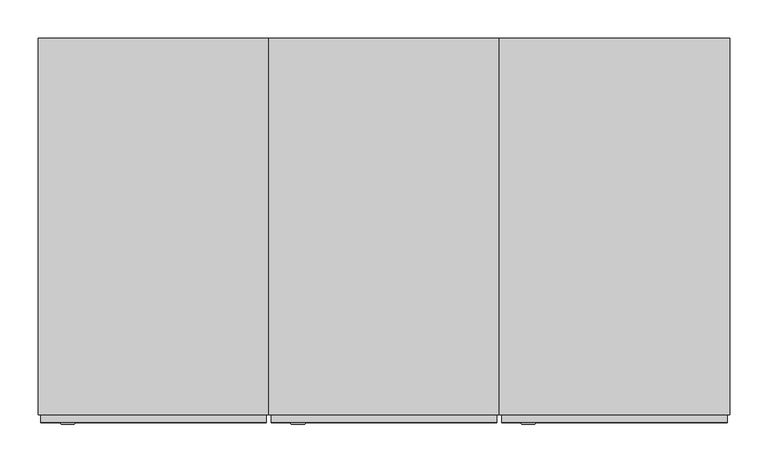
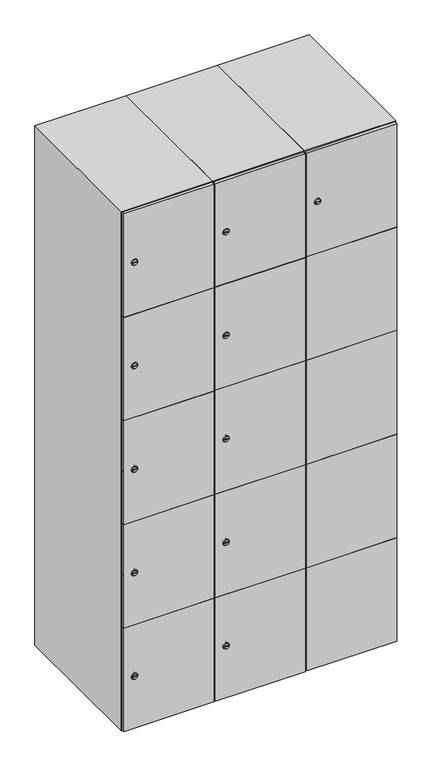
"""IFC4 building model written with IfcOpenShell, lengths in millimetres: furniture geometry."""

from ifc_helpers import new_model, si_unit, point, frame, frame_2d, origin, place, context, project, spatial, polyline, circle_curve, trimmed, segment, composite_curve, outline, extrude, faceted_brep, source, transform, mapped, element, save
from ifc_brep_helpers import plane_surface, revolved_surface, advanced_brep


def furniture_7ff7e186(model_context):
    return source(origin(), model_context, "Body", "SolidModel", [
        advanced_brep(
        [(446.5, -257.2, 1652.6), (429.5, -257.2, 1652.6), (433.0, -257.2, 1651.35), (433.0, -257.2, 1653.85), (443.0, -257.2, 1653.85), (443.0, -257.2, 1651.35), (448.5, -255.0, 1652.6), (427.5, -255.0, 1652.6), (433.0, -255.0, 1653.85), (433.0, -255.0, 1651.35), (443.0, -255.0, 1651.35), (443.0, -255.0, 1653.85)],
        [
            (0, 1, circle_curve(frame((438.0, -257.2, 1652.6), z_axis=(0.0, -1.0, 0.0), x_axis=(1.0, 0.0, 0.0)), 8.5)),
            (1, 0, circle_curve(frame((438.0, -257.2, 1652.6), z_axis=(0.0, -1.0, 0.0), x_axis=(-1.0, 0.0, 0.0)), 8.5)),
            (2, 3),
            (3, 4),
            (4, 5),
            (5, 2),
            (6, 7, circle_curve(frame((438.0, -255.0, 1652.6), z_axis=(0.0, 1.0, 0.0), x_axis=(-1.0, 0.0, 0.0)), 10.5)),
            (7, 6, circle_curve(frame((438.0, -255.0, 1652.6), z_axis=(0.0, 1.0, 0.0), x_axis=(1.0, 0.0, 0.0)), 10.5)),
            (8, 9),
            (9, 10),
            (10, 11),
            (11, 8),
            (0, 6),
            (7, 1),
            (8, 3),
            (2, 9),
            (11, 4),
            (10, 5),
        ],
        [
            plane_surface(frame((438.0, -257.2, 1652.6), z_axis=(0.0, -1.0, 0.0), x_axis=(0.0, 0.0, 1.0))),
            plane_surface(frame((438.0, -255.0, 1652.6), z_axis=(0.0, 1.0, 0.0), x_axis=(0.0, 0.0, 1.0))),
            revolved_surface(polyline([(446.5, -257.2, 1652.6), (448.5, -255.0, 1652.6)]), (438.0, -266.55, 1652.6), (0.0, 1.0, 0.0)),
            revolved_surface(polyline([(429.5, -257.2, 1652.6), (427.5, -255.0, 1652.6)]), (438.0, -266.55, 1652.6), (0.0, 1.0, 0.0)),
            plane_surface(frame((433.0, -255.0, 1651.35), z_axis=(1.0, 0.0, 0.0), x_axis=(0.0, -1.0, 0.0))),
            plane_surface(frame((433.0, -255.0, 1653.85), z_axis=(0.0, 0.0, -1.0), x_axis=(0.0, -1.0, 0.0))),
            plane_surface(frame((443.0, -255.0, 1653.85), z_axis=(-1.0, 0.0, 0.0), x_axis=(0.0, -1.0, 0.0))),
            plane_surface(frame((443.0, -255.0, 1651.35), z_axis=(0.0, 0.0, 1.0), x_axis=(0.0, -1.0, 0.0))),
        ],
        [
            (0, [[1, 2], [3, 4, 5, 6]]),
            (1, [[7, 8], [9, 10, 11, 12]]),
            (2, [[-1, 13, -8, 14]]),
            (3, [[-2, -14, -7, -13]]),
            (4, [[15, -3, 16, -9]]),
            (5, [[-15, -12, 17, -4]]),
            (6, [[-17, -11, 18, -5]]),
            (7, [[-16, -6, -18, -10]]),
        ],
    ),
        extrude(outline(polyline([(697.0, -245.0), (697.0, -255.0), (403.0, -255.0), (403.0, -245.0), (697.0, -245.0)])), frame((0.0, 0.0, 755.1), z_axis=(0.0, 0.0, 1.0), x_axis=(1.0, 0.0, 0.0)), (0.0, 0.0, 1.0), 359.8),
        extrude(outline(polyline([(697.0, -245.0), (697.0, -255.0), (403.0, -255.0), (403.0, -245.0), (697.0, -245.0)])), frame((0.0, 0.0, 396.3), z_axis=(0.0, 0.0, 1.0), x_axis=(1.0, 0.0, 0.0)), (0.0, 0.0, 1.0), 359.8),
        extrude(outline(polyline([(697.0, -245.0), (697.0, -255.0), (403.0, -255.0), (403.0, -245.0), (697.0, -245.0)])), frame((0.0, 0.0, 1113.9), z_axis=(0.0, 0.0, 1.0), x_axis=(1.0, 0.0, 0.0)), (0.0, 0.0, 1.0), 358.8),
        extrude(outline(polyline([(403.0, -255.0), (403.0, -245.0), (697.0, -245.0), (697.0, -255.0), (403.0, -255.0)])), frame((0.0, 0.0, 1473.7), z_axis=(0.0, 0.0, 1.0), x_axis=(1.0, 0.0, 0.0)), (0.0, 0.0, 1.0), 358.3),
        extrude(outline(polyline([(697.0, -245.0), (697.0, -255.0), (403.0, -255.0), (403.0, -245.0), (697.0, -245.0)])), frame((0.0, 0.0, 38.0), z_axis=(0.0, 0.0, 1.0), x_axis=(1.0, 0.0, 0.0)), (0.0, 0.0, 1.0), 359.3),
        extrude(outline(polyline([(679.6, 242.0), (679.6, -235.0), (420.4, -235.0), (420.4, 242.0), (679.6, 242.0)])), frame((0.0, 0.0, 1446.68), z_axis=(0.0, 0.0, 1.0), x_axis=(1.0, 0.0, 0.0)), (0.0, 0.0, 1.0), 20.4),
        extrude(outline(polyline([(679.6, 242.0), (679.6, -235.0), (420.4, -235.0), (420.4, 242.0), (679.6, 242.0)])), frame((0.0, 0.0, 1098.76), z_axis=(0.0, 0.0, 1.0), x_axis=(1.0, 0.0, 0.0)), (0.0, 0.0, 1.0), 20.4),
        extrude(outline(polyline([(679.6, 242.0), (679.6, -235.0), (420.4, -235.0), (420.4, 242.0), (679.6, 242.0)])), frame((0.0, 0.0, 750.84), z_axis=(0.0, 0.0, 1.0), x_axis=(1.0, 0.0, 0.0)), (0.0, 0.0, 1.0), 20.4),
        extrude(outline(polyline([(420.4, 242.0), (679.6, 242.0), (679.6, -235.0), (420.4, -235.0), (420.4, 242.0)])), frame((0.0, 0.0, 402.92), z_axis=(0.0, 0.0, 1.0), x_axis=(1.0, 0.0, 0.0)), (0.0, 0.0, 1.0), 20.4),
        faceted_brep([(700.0, -245.0, 35.0), (700.0, -245.0, 1835.0), (400.0, -245.0, 1835.0), (400.0, -245.0, 35.0), (679.6, -245.0, 1804.8), (679.6, -245.0, 65.2), (420.4, -245.0, 65.2), (420.4, -245.0, 1804.8), (700.0, 245.0, 35.0), (400.0, 245.0, 35.0), (700.0, 245.0, 1835.0), (400.0, 245.0, 1835.0), (679.6, 242.0, 1804.8), (679.6, 242.0, 65.2), (400.0, 245.0, 1804.8), (420.4, 242.0, 1804.8), (420.4, 242.0, 65.2)], [[[0, 1, 2, 3], [4, 5, 6, 7]], [[8, 0, 3, 9]], [[1, 0, 8, 10]], [[1, 10, 11, 2]], [[4, 12, 13, 5]], [[9, 3, 2, 11, 14]], [[10, 8, 9, 14, 11]], [[12, 15, 16, 13]], [[15, 7, 6, 16]], [[4, 7, 15, 12]], [[6, 5, 13, 16]]]),
        extrude(outline(composite_curve([segment(trimmed(circle_curve(frame_2d((217.4, 111.2010534)), 7.0), [point((224.4, 111.2010534))], [point((210.4, 111.2010534))], False, "CARTESIAN"), True, "CONTINUOUS"), segment(polyline([(210.4, 111.2010534), (210.4, 139.2010534)]), True, "CONTINUOUS"), segment(trimmed(circle_curve(frame_2d((217.4, 139.2010534)), 7.0), [point((210.4, 139.2010534))], [point((224.4, 139.2010534))], False, "CARTESIAN"), True, "CONTINUOUS"), segment(polyline([(224.4, 139.2010534), (224.4, 111.2010534)]), True, "CONTINUOUS")], self_intersect=False)), frame((0.0, -245.0, 0.0), z_axis=(0.0, 1.0, 0.0), x_axis=(0.0, 0.0, 1.0)), (0.0, 0.0, 1.0), 2.0),
        advanced_brep(
        [(146.5, -257.2, 217.4), (129.5, -257.2, 217.4), (133.0, -257.2, 216.15), (133.0, -257.2, 218.65), (143.0, -257.2, 218.65), (143.0, -257.2, 216.15), (148.5, -255.0, 217.4), (127.5, -255.0, 217.4), (133.0, -255.0, 218.65), (133.0, -255.0, 216.15), (143.0, -255.0, 216.15), (143.0, -255.0, 218.65)],
        [
            (0, 1, circle_curve(frame((138.0, -257.2, 217.4), z_axis=(0.0, -1.0, 0.0), x_axis=(1.0, 0.0, 0.0)), 8.5)),
            (1, 0, circle_curve(frame((138.0, -257.2, 217.4), z_axis=(0.0, -1.0, 0.0), x_axis=(-1.0, 0.0, 0.0)), 8.5)),
            (2, 3),
            (3, 4),
            (4, 5),
            (5, 2),
            (6, 7, circle_curve(frame((138.0, -255.0, 217.4), z_axis=(0.0, 1.0, 0.0), x_axis=(-1.0, 0.0, 0.0)), 10.5)),
            (7, 6, circle_curve(frame((138.0, -255.0, 217.4), z_axis=(0.0, 1.0, 0.0), x_axis=(1.0, 0.0, 0.0)), 10.5)),
            (8, 9),
            (9, 10),
            (10, 11),
            (11, 8),
            (0, 6),
            (7, 1),
            (8, 3),
            (2, 9),
            (11, 4),
            (10, 5),
        ],
        [
            plane_surface(frame((138.0, -257.2, 217.4), z_axis=(0.0, -1.0, 0.0), x_axis=(0.0, 0.0, 1.0))),
            plane_surface(frame((138.0, -255.0, 217.4), z_axis=(0.0, 1.0, 0.0), x_axis=(0.0, 0.0, 1.0))),
            revolved_surface(polyline([(146.5, -257.2, 217.4), (148.5, -255.0, 217.4)]), (138.0, -266.55, 217.4), (0.0, 1.0, 0.0)),
            revolved_surface(polyline([(129.5, -257.2, 217.4), (127.5, -255.0, 217.4)]), (138.0, -266.55, 217.4), (0.0, 1.0, 0.0)),
            plane_surface(frame((133.0, -255.0, 216.15), z_axis=(1.0, 0.0, 0.0), x_axis=(0.0, -1.0, 0.0))),
            plane_surface(frame((133.0, -255.0, 218.65), z_axis=(0.0, 0.0, -1.0), x_axis=(0.0, -1.0, 0.0))),
            plane_surface(frame((143.0, -255.0, 218.65), z_axis=(-1.0, 0.0, 0.0), x_axis=(0.0, -1.0, 0.0))),
            plane_surface(frame((143.0, -255.0, 216.15), z_axis=(0.0, 0.0, 1.0), x_axis=(0.0, -1.0, 0.0))),
        ],
        [
            (0, [[1, 2], [3, 4, 5, 6]]),
            (1, [[7, 8], [9, 10, 11, 12]]),
            (2, [[-1, 13, -8, 14]]),
            (3, [[-2, -14, -7, -13]]),
            (4, [[15, -3, 16, -9]]),
            (5, [[-15, -12, 17, -4]]),
            (6, [[-17, -11, 18, -5]]),
            (7, [[-16, -6, -18, -10]]),
        ],
    ),
        extrude(outline(composite_curve([segment(trimmed(circle_curve(frame_2d((576.2, 111.2010534)), 7.0), [point((583.2, 111.2010534))], [point((569.2, 111.2010534))], False, "CARTESIAN"), True, "CONTINUOUS"), segment(polyline([(569.2, 111.2010534), (569.2, 139.2010534)]), True, "CONTINUOUS"), segment(trimmed(circle_curve(frame_2d((576.2, 139.2010534)), 7.0), [point((569.2, 139.2010534))], [point((583.2, 139.2010534))], False, "CARTESIAN"), True, "CONTINUOUS"), segment(polyline([(583.2, 139.2010534), (583.2, 111.2010534)]), True, "CONTINUOUS")], self_intersect=False)), frame((0.0, -245.0, 0.0), z_axis=(0.0, 1.0, 0.0), x_axis=(0.0, 0.0, 1.0)), (0.0, 0.0, 1.0), 2.0),
        advanced_brep(
        [(146.5, -257.2, 576.2), (129.5, -257.2, 576.2), (133.0, -257.2, 574.95), (133.0, -257.2, 577.45), (143.0, -257.2, 577.45), (143.0, -257.2, 574.95), (148.5, -255.0, 576.2), (127.5, -255.0, 576.2), (133.0, -255.0, 577.45), (133.0, -255.0, 574.95), (143.0, -255.0, 574.95), (143.0, -255.0, 577.45)],
        [
            (0, 1, circle_curve(frame((138.0, -257.2, 576.2), z_axis=(0.0, -1.0, 0.0), x_axis=(1.0, 0.0, 0.0)), 8.5)),
            (1, 0, circle_curve(frame((138.0, -257.2, 576.2), z_axis=(0.0, -1.0, 0.0), x_axis=(-1.0, 0.0, 0.0)), 8.5)),
            (2, 3),
            (3, 4),
            (4, 5),
            (5, 2),
            (6, 7, circle_curve(frame((138.0, -255.0, 576.2), z_axis=(0.0, 1.0, 0.0), x_axis=(-1.0, 0.0, 0.0)), 10.5)),
            (7, 6, circle_curve(frame((138.0, -255.0, 576.2), z_axis=(0.0, 1.0, 0.0), x_axis=(1.0, 0.0, 0.0)), 10.5)),
            (8, 9),
            (9, 10),
            (10, 11),
            (11, 8),
            (0, 6),
            (7, 1),
            (8, 3),
            (2, 9),
            (11, 4),
            (10, 5),
        ],
        [
            plane_surface(frame((138.0, -257.2, 576.2), z_axis=(0.0, -1.0, 0.0), x_axis=(0.0, 0.0, 1.0))),
            plane_surface(frame((138.0, -255.0, 576.2), z_axis=(0.0, 1.0, 0.0), x_axis=(0.0, 0.0, 1.0))),
            revolved_surface(polyline([(146.5, -257.2, 576.2), (148.5, -255.0, 576.2)]), (138.0, -266.55, 576.2), (0.0, 1.0, 0.0)),
            revolved_surface(polyline([(129.5, -257.2, 576.2), (127.5, -255.0, 576.2)]), (138.0, -266.55, 576.2), (0.0, 1.0, 0.0)),
            plane_surface(frame((133.0, -255.0, 574.95), z_axis=(1.0, 0.0, 0.0), x_axis=(0.0, -1.0, 0.0))),
            plane_surface(frame((133.0, -255.0, 577.45), z_axis=(0.0, 0.0, -1.0), x_axis=(0.0, -1.0, 0.0))),
            plane_surface(frame((143.0, -255.0, 577.45), z_axis=(-1.0, 0.0, 0.0), x_axis=(0.0, -1.0, 0.0))),
            plane_surface(frame((143.0, -255.0, 574.95), z_axis=(0.0, 0.0, 1.0), x_axis=(0.0, -1.0, 0.0))),
        ],
        [
            (0, [[1, 2], [3, 4, 5, 6]]),
            (1, [[7, 8], [9, 10, 11, 12]]),
            (2, [[-1, 13, -8, 14]]),
            (3, [[-2, -14, -7, -13]]),
            (4, [[15, -3, 16, -9]]),
            (5, [[-15, -12, 17, -4]]),
            (6, [[-17, -11, 18, -5]]),
            (7, [[-16, -6, -18, -10]]),
        ],
    ),
        extrude(outline(composite_curve([segment(trimmed(circle_curve(frame_2d((935.0, 111.2010534)), 7.0), [point((942.0, 111.2010534))], [point((928.0, 111.2010534))], False, "CARTESIAN"), True, "CONTINUOUS"), segment(polyline([(928.0, 111.2010534), (928.0, 139.2010534)]), True, "CONTINUOUS"), segment(trimmed(circle_curve(frame_2d((935.0, 139.2010534)), 7.0), [point((928.0, 139.2010534))], [point((942.0, 139.2010534))], False, "CARTESIAN"), True, "CONTINUOUS"), segment(polyline([(942.0, 139.2010534), (942.0, 111.2010534)]), True, "CONTINUOUS")], self_intersect=False)), frame((0.0, -245.0, 0.0), z_axis=(0.0, 1.0, 0.0), x_axis=(0.0, 0.0, 1.0)), (0.0, 0.0, 1.0), 2.0),
        advanced_brep(
        [(146.5, -257.2, 935.0), (129.5, -257.2, 935.0), (133.0, -257.2, 933.75), (133.0, -257.2, 936.25), (143.0, -257.2, 936.25), (143.0, -257.2, 933.75), (148.5, -255.0, 935.0), (127.5, -255.0, 935.0), (133.0, -255.0, 936.25), (133.0, -255.0, 933.75), (143.0, -255.0, 933.75), (143.0, -255.0, 936.25)],
        [
            (0, 1, circle_curve(frame((138.0, -257.2, 935.0), z_axis=(0.0, -1.0, 0.0), x_axis=(1.0, 0.0, 0.0)), 8.5)),
            (1, 0, circle_curve(frame((138.0, -257.2, 935.0), z_axis=(0.0, -1.0, 0.0), x_axis=(-1.0, 0.0, 0.0)), 8.5)),
            (2, 3),
            (3, 4),
            (4, 5),
            (5, 2),
            (6, 7, circle_curve(frame((138.0, -255.0, 935.0), z_axis=(0.0, 1.0, 0.0), x_axis=(-1.0, 0.0, 0.0)), 10.5)),
            (7, 6, circle_curve(frame((138.0, -255.0, 935.0), z_axis=(0.0, 1.0, 0.0), x_axis=(1.0, 0.0, 0.0)), 10.5)),
            (8, 9),
            (9, 10),
            (10, 11),
            (11, 8),
            (0, 6),
            (7, 1),
            (8, 3),
            (2, 9),
            (11, 4),
            (10, 5),
        ],
        [
            plane_surface(frame((138.0, -257.2, 935.0), z_axis=(0.0, -1.0, 0.0), x_axis=(0.0, 0.0, 1.0))),
            plane_surface(frame((138.0, -255.0, 935.0), z_axis=(0.0, 1.0, 0.0), x_axis=(0.0, 0.0, 1.0))),
            revolved_surface(polyline([(146.5, -257.2, 935.0), (148.5, -255.0, 935.0)]), (138.0, -266.55, 935.0), (0.0, 1.0, 0.0)),
            revolved_surface(polyline([(129.5, -257.2, 935.0), (127.5, -255.0, 935.0)]), (138.0, -266.55, 935.0), (0.0, 1.0, 0.0)),
            plane_surface(frame((133.0, -255.0, 933.75), z_axis=(1.0, 0.0, 0.0), x_axis=(0.0, -1.0, 0.0))),
            plane_surface(frame((133.0, -255.0, 936.25), z_axis=(0.0, 0.0, -1.0), x_axis=(0.0, -1.0, 0.0))),
            plane_surface(frame((143.0, -255.0, 936.25), z_axis=(-1.0, 0.0, 0.0), x_axis=(0.0, -1.0, 0.0))),
            plane_surface(frame((143.0, -255.0, 933.75), z_axis=(0.0, 0.0, 1.0), x_axis=(0.0, -1.0, 0.0))),
        ],
        [
            (0, [[1, 2], [3, 4, 5, 6]]),
            (1, [[7, 8], [9, 10, 11, 12]]),
            (2, [[-1, 13, -8, 14]]),
            (3, [[-2, -14, -7, -13]]),
            (4, [[15, -3, 16, -9]]),
            (5, [[-15, -12, 17, -4]]),
            (6, [[-17, -11, 18, -5]]),
            (7, [[-16, -6, -18, -10]]),
        ],
    ),
        extrude(outline(composite_curve([segment(trimmed(circle_curve(frame_2d((1293.8, 111.2010534)), 7.0), [point((1300.8, 111.2010534))], [point((1286.8, 111.2010534))], False, "CARTESIAN"), True, "CONTINUOUS"), segment(polyline([(1286.8, 111.2010534), (1286.8, 139.2010534)]), True, "CONTINUOUS"), segment(trimmed(circle_curve(frame_2d((1293.8, 139.2010534)), 7.0), [point((1286.8, 139.2010534))], [point((1300.8, 139.2010534))], False, "CARTESIAN"), True, "CONTINUOUS"), segment(polyline([(1300.8, 139.2010534), (1300.8, 111.2010534)]), True, "CONTINUOUS")], self_intersect=False)), frame((0.0, -245.0, 0.0), z_axis=(0.0, 1.0, 0.0), x_axis=(0.0, 0.0, 1.0)), (0.0, 0.0, 1.0), 2.0),
        advanced_brep(
        [(146.5, -257.2, 1293.8), (129.5, -257.2, 1293.8), (133.0, -257.2, 1292.55), (133.0, -257.2, 1295.05), (143.0, -257.2, 1295.05), (143.0, -257.2, 1292.55), (148.5, -255.0, 1293.8), (127.5, -255.0, 1293.8), (133.0, -255.0, 1295.05), (133.0, -255.0, 1292.55), (143.0, -255.0, 1292.55), (143.0, -255.0, 1295.05)],
        [
            (0, 1, circle_curve(frame((138.0, -257.2, 1293.8), z_axis=(0.0, -1.0, 0.0), x_axis=(1.0, 0.0, 0.0)), 8.5)),
            (1, 0, circle_curve(frame((138.0, -257.2, 1293.8), z_axis=(0.0, -1.0, 0.0), x_axis=(-1.0, 0.0, 0.0)), 8.5)),
            (2, 3),
            (3, 4),
            (4, 5),
            (5, 2),
            (6, 7, circle_curve(frame((138.0, -255.0, 1293.8), z_axis=(0.0, 1.0, 0.0), x_axis=(-1.0, 0.0, 0.0)), 10.5)),
            (7, 6, circle_curve(frame((138.0, -255.0, 1293.8), z_axis=(0.0, 1.0, 0.0), x_axis=(1.0, 0.0, 0.0)), 10.5)),
            (8, 9),
            (9, 10),
            (10, 11),
            (11, 8),
            (0, 6),
            (7, 1),
            (8, 3),
            (2, 9),
            (11, 4),
            (10, 5),
        ],
        [
            plane_surface(frame((138.0, -257.2, 1293.8), z_axis=(0.0, -1.0, 0.0), x_axis=(0.0, 0.0, 1.0))),
            plane_surface(frame((138.0, -255.0, 1293.8), z_axis=(0.0, 1.0, 0.0), x_axis=(0.0, 0.0, 1.0))),
            revolved_surface(polyline([(146.5, -257.2, 1293.8), (148.5, -255.0, 1293.8)]), (138.0, -266.55, 1293.8), (0.0, 1.0, 0.0)),
            revolved_surface(polyline([(129.5, -257.2, 1293.8), (127.5, -255.0, 1293.8)]), (138.0, -266.55, 1293.8), (0.0, 1.0, 0.0)),
            plane_surface(frame((133.0, -255.0, 1292.55), z_axis=(1.0, 0.0, 0.0), x_axis=(0.0, -1.0, 0.0))),
            plane_surface(frame((133.0, -255.0, 1295.05), z_axis=(0.0, 0.0, -1.0), x_axis=(0.0, -1.0, 0.0))),
            plane_surface(frame((143.0, -255.0, 1295.05), z_axis=(-1.0, 0.0, 0.0), x_axis=(0.0, -1.0, 0.0))),
            plane_surface(frame((143.0, -255.0, 1292.55), z_axis=(0.0, 0.0, 1.0), x_axis=(0.0, -1.0, 0.0))),
        ],
        [
            (0, [[1, 2], [3, 4, 5, 6]]),
            (1, [[7, 8], [9, 10, 11, 12]]),
            (2, [[-1, 13, -8, 14]]),
            (3, [[-2, -14, -7, -13]]),
            (4, [[15, -3, 16, -9]]),
            (5, [[-15, -12, 17, -4]]),
            (6, [[-17, -11, 18, -5]]),
            (7, [[-16, -6, -18, -10]]),
        ],
    ),
        extrude(outline(composite_curve([segment(trimmed(circle_curve(frame_2d((1652.6, 111.2010534)), 7.0), [point((1659.6, 111.2010534))], [point((1645.6, 111.2010534))], False, "CARTESIAN"), True, "CONTINUOUS"), segment(polyline([(1645.6, 111.2010534), (1645.6, 139.2010534)]), True, "CONTINUOUS"), segment(trimmed(circle_curve(frame_2d((1652.6, 139.2010534)), 7.0), [point((1645.6, 139.2010534))], [point((1659.6, 139.2010534))], False, "CARTESIAN"), True, "CONTINUOUS"), segment(polyline([(1659.6, 139.2010534), (1659.6, 111.2010534)]), True, "CONTINUOUS")], self_intersect=False)), frame((0.0, -245.0, 0.0), z_axis=(0.0, 1.0, 0.0), x_axis=(0.0, 0.0, 1.0)), (0.0, 0.0, 1.0), 2.0),
        advanced_brep(
        [(146.5, -257.2, 1652.6), (129.5, -257.2, 1652.6), (133.0, -257.2, 1651.35), (133.0, -257.2, 1653.85), (143.0, -257.2, 1653.85), (143.0, -257.2, 1651.35), (148.5, -255.0, 1652.6), (127.5, -255.0, 1652.6), (133.0, -255.0, 1653.85), (133.0, -255.0, 1651.35), (143.0, -255.0, 1651.35), (143.0, -255.0, 1653.85)],
        [
            (0, 1, circle_curve(frame((138.0, -257.2, 1652.6), z_axis=(0.0, -1.0, 0.0), x_axis=(1.0, 0.0, 0.0)), 8.5)),
            (1, 0, circle_curve(frame((138.0, -257.2, 1652.6), z_axis=(0.0, -1.0, 0.0), x_axis=(-1.0, 0.0, 0.0)), 8.5)),
            (2, 3),
            (3, 4),
            (4, 5),
            (5, 2),
            (6, 7, circle_curve(frame((138.0, -255.0, 1652.6), z_axis=(0.0, 1.0, 0.0), x_axis=(-1.0, 0.0, 0.0)), 10.5)),
            (7, 6, circle_curve(frame((138.0, -255.0, 1652.6), z_axis=(0.0, 1.0, 0.0), x_axis=(1.0, 0.0, 0.0)), 10.5)),
            (8, 9),
            (9, 10),
            (10, 11),
            (11, 8),
            (0, 6),
            (7, 1),
            (8, 3),
            (2, 9),
            (11, 4),
            (10, 5),
        ],
        [
            plane_surface(frame((138.0, -257.2, 1652.6), z_axis=(0.0, -1.0, 0.0), x_axis=(0.0, 0.0, 1.0))),
            plane_surface(frame((138.0, -255.0, 1652.6), z_axis=(0.0, 1.0, 0.0), x_axis=(0.0, 0.0, 1.0))),
            revolved_surface(polyline([(146.5, -257.2, 1652.6), (148.5, -255.0, 1652.6)]), (138.0, -266.55, 1652.6), (0.0, 1.0, 0.0)),
            revolved_surface(polyline([(129.5, -257.2, 1652.6), (127.5, -255.0, 1652.6)]), (138.0, -266.55, 1652.6), (0.0, 1.0, 0.0)),
            plane_surface(frame((133.0, -255.0, 1651.35), z_axis=(1.0, 0.0, 0.0), x_axis=(0.0, -1.0, 0.0))),
            plane_surface(frame((133.0, -255.0, 1653.85), z_axis=(0.0, 0.0, -1.0), x_axis=(0.0, -1.0, 0.0))),
            plane_surface(frame((143.0, -255.0, 1653.85), z_axis=(-1.0, 0.0, 0.0), x_axis=(0.0, -1.0, 0.0))),
            plane_surface(frame((143.0, -255.0, 1651.35), z_axis=(0.0, 0.0, 1.0), x_axis=(0.0, -1.0, 0.0))),
        ],
        [
            (0, [[1, 2], [3, 4, 5, 6]]),
            (1, [[7, 8], [9, 10, 11, 12]]),
            (2, [[-1, 13, -8, 14]]),
            (3, [[-2, -14, -7, -13]]),
            (4, [[15, -3, 16, -9]]),
            (5, [[-15, -12, 17, -4]]),
            (6, [[-17, -11, 18, -5]]),
            (7, [[-16, -6, -18, -10]]),
        ],
    ),
        extrude(outline(polyline([(397.0, -245.0), (397.0, -255.0), (103.0, -255.0), (103.0, -245.0), (397.0, -245.0)])), frame((0.0, 0.0, 755.1), z_axis=(0.0, 0.0, 1.0), x_axis=(1.0, 0.0, 0.0)), (0.0, 0.0, 1.0), 359.8),
        extrude(outline(polyline([(397.0, -245.0), (397.0, -255.0), (103.0, -255.0), (103.0, -245.0), (397.0, -245.0)])), frame((0.0, 0.0, 396.3), z_axis=(0.0, 0.0, 1.0), x_axis=(1.0, 0.0, 0.0)), (0.0, 0.0, 1.0), 359.8),
        extrude(outline(polyline([(397.0, -245.0), (397.0, -255.0), (103.0, -255.0), (103.0, -245.0), (397.0, -245.0)])), frame((0.0, 0.0, 1113.9), z_axis=(0.0, 0.0, 1.0), x_axis=(1.0, 0.0, 0.0)), (0.0, 0.0, 1.0), 358.8),
        extrude(outline(polyline([(103.0, -255.0), (103.0, -245.0), (397.0, -245.0), (397.0, -255.0), (103.0, -255.0)])), frame((0.0, 0.0, 1473.7), z_axis=(0.0, 0.0, 1.0), x_axis=(1.0, 0.0, 0.0)), (0.0, 0.0, 1.0), 358.3),
        extrude(outline(polyline([(397.0, -245.0), (397.0, -255.0), (103.0, -255.0), (103.0, -245.0), (397.0, -245.0)])), frame((0.0, 0.0, 38.0), z_axis=(0.0, 0.0, 1.0), x_axis=(1.0, 0.0, 0.0)), (0.0, 0.0, 1.0), 359.3),
        extrude(outline(polyline([(379.6, 242.0), (379.6, -235.0), (120.4, -235.0), (120.4, 242.0), (379.6, 242.0)])), frame((0.0, 0.0, 1446.68), z_axis=(0.0, 0.0, 1.0), x_axis=(1.0, 0.0, 0.0)), (0.0, 0.0, 1.0), 20.4),
        extrude(outline(polyline([(379.6, 242.0), (379.6, -235.0), (120.4, -235.0), (120.4, 242.0), (379.6, 242.0)])), frame((0.0, 0.0, 1098.76), z_axis=(0.0, 0.0, 1.0), x_axis=(1.0, 0.0, 0.0)), (0.0, 0.0, 1.0), 20.4),
        extrude(outline(polyline([(379.6, 242.0), (379.6, -235.0), (120.4, -235.0), (120.4, 242.0), (379.6, 242.0)])), frame((0.0, 0.0, 750.84), z_axis=(0.0, 0.0, 1.0), x_axis=(1.0, 0.0, 0.0)), (0.0, 0.0, 1.0), 20.4),
        extrude(outline(polyline([(120.4, 242.0), (379.6, 242.0), (379.6, -235.0), (120.4, -235.0), (120.4, 242.0)])), frame((0.0, 0.0, 402.92), z_axis=(0.0, 0.0, 1.0), x_axis=(1.0, 0.0, 0.0)), (0.0, 0.0, 1.0), 20.4),
        faceted_brep([(400.0, -245.0, 35.0), (400.0, -245.0, 1835.0), (100.0, -245.0, 1835.0), (100.0, -245.0, 35.0), (379.6, -245.0, 1804.8), (379.6, -245.0, 65.2), (120.4, -245.0, 65.2), (120.4, -245.0, 1804.8), (400.0, 245.0, 35.0), (100.0, 245.0, 35.0), (400.0, 245.0, 1835.0), (100.0, 245.0, 1835.0), (379.6, 242.0, 1804.8), (379.6, 242.0, 65.2), (100.0, 245.0, 1804.8), (120.4, 242.0, 1804.8), (120.4, 242.0, 65.2)], [[[0, 1, 2, 3], [4, 5, 6, 7]], [[8, 0, 3, 9]], [[1, 0, 8, 10]], [[1, 10, 11, 2]], [[4, 12, 13, 5]], [[9, 3, 2, 11, 14]], [[10, 8, 9, 14, 11]], [[12, 15, 16, 13]], [[15, 7, 6, 16]], [[4, 7, 15, 12]], [[6, 5, 13, 16]]]),
        extrude(outline(composite_curve([segment(trimmed(circle_curve(frame_2d((217.4, -188.7989466)), 7.0), [point((224.4, -188.7989466))], [point((210.4, -188.7989466))], False, "CARTESIAN"), True, "CONTINUOUS"), segment(polyline([(210.4, -188.7989466), (210.4, -160.7989466)]), True, "CONTINUOUS"), segment(trimmed(circle_curve(frame_2d((217.4, -160.7989466)), 7.0), [point((210.4, -160.7989466))], [point((224.4, -160.7989466))], False, "CARTESIAN"), True, "CONTINUOUS"), segment(polyline([(224.4, -160.7989466), (224.4, -188.7989466)]), True, "CONTINUOUS")], self_intersect=False)), frame((0.0, -245.0, 0.0), z_axis=(0.0, 1.0, 0.0), x_axis=(0.0, 0.0, 1.0)), (0.0, 0.0, 1.0), 2.0),
        advanced_brep(
        [(-153.5, -257.2, 217.4), (-170.5, -257.2, 217.4), (-167.0, -257.2, 216.15), (-167.0, -257.2, 218.65), (-157.0, -257.2, 218.65), (-157.0, -257.2, 216.15), (-151.5, -255.0, 217.4), (-172.5, -255.0, 217.4), (-167.0, -255.0, 218.65), (-167.0, -255.0, 216.15), (-157.0, -255.0, 216.15), (-157.0, -255.0, 218.65)],
        [
            (0, 1, circle_curve(frame((-162.0, -257.2, 217.4), z_axis=(0.0, -1.0, 0.0), x_axis=(1.0, 0.0, 0.0)), 8.5)),
            (1, 0, circle_curve(frame((-162.0, -257.2, 217.4), z_axis=(0.0, -1.0, 0.0), x_axis=(-1.0, 0.0, 0.0)), 8.5)),
            (2, 3),
            (3, 4),
            (4, 5),
            (5, 2),
            (6, 7, circle_curve(frame((-162.0, -255.0, 217.4), z_axis=(0.0, 1.0, 0.0), x_axis=(-1.0, 0.0, 0.0)), 10.5)),
            (7, 6, circle_curve(frame((-162.0, -255.0, 217.4), z_axis=(0.0, 1.0, 0.0), x_axis=(1.0, 0.0, 0.0)), 10.5)),
            (8, 9),
            (9, 10),
            (10, 11),
            (11, 8),
            (0, 6),
            (7, 1),
            (8, 3),
            (2, 9),
            (11, 4),
            (10, 5),
        ],
        [
            plane_surface(frame((-162.0, -257.2, 217.4), z_axis=(0.0, -1.0, 0.0), x_axis=(0.0, 0.0, 1.0))),
            plane_surface(frame((-162.0, -255.0, 217.4), z_axis=(0.0, 1.0, 0.0), x_axis=(0.0, 0.0, 1.0))),
            revolved_surface(polyline([(-153.5, -257.2, 217.4), (-151.5, -255.0, 217.4)]), (-162.0, -266.55, 217.4), (0.0, 1.0, 0.0)),
            revolved_surface(polyline([(-170.5, -257.2, 217.4), (-172.5, -255.0, 217.4)]), (-162.0, -266.55, 217.4), (0.0, 1.0, 0.0)),
            plane_surface(frame((-167.0, -255.0, 216.15), z_axis=(1.0, 0.0, 0.0), x_axis=(0.0, -1.0, 0.0))),
            plane_surface(frame((-167.0, -255.0, 218.65), z_axis=(0.0, 0.0, -1.0), x_axis=(0.0, -1.0, 0.0))),
            plane_surface(frame((-157.0, -255.0, 218.65), z_axis=(-1.0, 0.0, 0.0), x_axis=(0.0, -1.0, 0.0))),
            plane_surface(frame((-157.0, -255.0, 216.15), z_axis=(0.0, 0.0, 1.0), x_axis=(0.0, -1.0, 0.0))),
        ],
        [
            (0, [[1, 2], [3, 4, 5, 6]]),
            (1, [[7, 8], [9, 10, 11, 12]]),
            (2, [[-1, 13, -8, 14]]),
            (3, [[-2, -14, -7, -13]]),
            (4, [[15, -3, 16, -9]]),
            (5, [[-15, -12, 17, -4]]),
            (6, [[-17, -11, 18, -5]]),
            (7, [[-16, -6, -18, -10]]),
        ],
    ),
        extrude(outline(composite_curve([segment(trimmed(circle_curve(frame_2d((576.2, -188.7989466)), 7.0), [point((583.2, -188.7989466))], [point((569.2, -188.7989466))], False, "CARTESIAN"), True, "CONTINUOUS"), segment(polyline([(569.2, -188.7989466), (569.2, -160.7989466)]), True, "CONTINUOUS"), segment(trimmed(circle_curve(frame_2d((576.2, -160.7989466)), 7.0), [point((569.2, -160.7989466))], [point((583.2, -160.7989466))], False, "CARTESIAN"), True, "CONTINUOUS"), segment(polyline([(583.2, -160.7989466), (583.2, -188.7989466)]), True, "CONTINUOUS")], self_intersect=False)), frame((0.0, -245.0, 0.0), z_axis=(0.0, 1.0, 0.0), x_axis=(0.0, 0.0, 1.0)), (0.0, 0.0, 1.0), 2.0),
        advanced_brep(
        [(-153.5, -257.2, 576.2), (-170.5, -257.2, 576.2), (-167.0, -257.2, 574.95), (-167.0, -257.2, 577.45), (-157.0, -257.2, 577.45), (-157.0, -257.2, 574.95), (-151.5, -255.0, 576.2), (-172.5, -255.0, 576.2), (-167.0, -255.0, 577.45), (-167.0, -255.0, 574.95), (-157.0, -255.0, 574.95), (-157.0, -255.0, 577.45)],
        [
            (0, 1, circle_curve(frame((-162.0, -257.2, 576.2), z_axis=(0.0, -1.0, 0.0), x_axis=(1.0, 0.0, 0.0)), 8.5)),
            (1, 0, circle_curve(frame((-162.0, -257.2, 576.2), z_axis=(0.0, -1.0, 0.0), x_axis=(-1.0, 0.0, 0.0)), 8.5)),
            (2, 3),
            (3, 4),
            (4, 5),
            (5, 2),
            (6, 7, circle_curve(frame((-162.0, -255.0, 576.2), z_axis=(0.0, 1.0, 0.0), x_axis=(-1.0, 0.0, 0.0)), 10.5)),
            (7, 6, circle_curve(frame((-162.0, -255.0, 576.2), z_axis=(0.0, 1.0, 0.0), x_axis=(1.0, 0.0, 0.0)), 10.5)),
            (8, 9),
            (9, 10),
            (10, 11),
            (11, 8),
            (0, 6),
            (7, 1),
            (8, 3),
            (2, 9),
            (11, 4),
            (10, 5),
        ],
        [
            plane_surface(frame((-162.0, -257.2, 576.2), z_axis=(0.0, -1.0, 0.0), x_axis=(0.0, 0.0, 1.0))),
            plane_surface(frame((-162.0, -255.0, 576.2), z_axis=(0.0, 1.0, 0.0), x_axis=(0.0, 0.0, 1.0))),
            revolved_surface(polyline([(-153.5, -257.2, 576.2), (-151.5, -255.0, 576.2)]), (-162.0, -266.55, 576.2), (0.0, 1.0, 0.0)),
            revolved_surface(polyline([(-170.5, -257.2, 576.2), (-172.5, -255.0, 576.2)]), (-162.0, -266.55, 576.2), (0.0, 1.0, 0.0)),
            plane_surface(frame((-167.0, -255.0, 574.95), z_axis=(1.0, 0.0, 0.0), x_axis=(0.0, -1.0, 0.0))),
            plane_surface(frame((-167.0, -255.0, 577.45), z_axis=(0.0, 0.0, -1.0), x_axis=(0.0, -1.0, 0.0))),
            plane_surface(frame((-157.0, -255.0, 577.45), z_axis=(-1.0, 0.0, 0.0), x_axis=(0.0, -1.0, 0.0))),
            plane_surface(frame((-157.0, -255.0, 574.95), z_axis=(0.0, 0.0, 1.0), x_axis=(0.0, -1.0, 0.0))),
        ],
        [
            (0, [[1, 2], [3, 4, 5, 6]]),
            (1, [[7, 8], [9, 10, 11, 12]]),
            (2, [[-1, 13, -8, 14]]),
            (3, [[-2, -14, -7, -13]]),
            (4, [[15, -3, 16, -9]]),
            (5, [[-15, -12, 17, -4]]),
            (6, [[-17, -11, 18, -5]]),
            (7, [[-16, -6, -18, -10]]),
        ],
    ),
        extrude(outline(composite_curve([segment(trimmed(circle_curve(frame_2d((935.0, -188.7989466)), 7.0), [point((942.0, -188.7989466))], [point((928.0, -188.7989466))], False, "CARTESIAN"), True, "CONTINUOUS"), segment(polyline([(928.0, -188.7989466), (928.0, -160.7989466)]), True, "CONTINUOUS"), segment(trimmed(circle_curve(frame_2d((935.0, -160.7989466)), 7.0), [point((928.0, -160.7989466))], [point((942.0, -160.7989466))], False, "CARTESIAN"), True, "CONTINUOUS"), segment(polyline([(942.0, -160.7989466), (942.0, -188.7989466)]), True, "CONTINUOUS")], self_intersect=False)), frame((0.0, -245.0, 0.0), z_axis=(0.0, 1.0, 0.0), x_axis=(0.0, 0.0, 1.0)), (0.0, 0.0, 1.0), 2.0),
        advanced_brep(
        [(-153.5, -257.2, 935.0), (-170.5, -257.2, 935.0), (-167.0, -257.2, 933.75), (-167.0, -257.2, 936.25), (-157.0, -257.2, 936.25), (-157.0, -257.2, 933.75), (-151.5, -255.0, 935.0), (-172.5, -255.0, 935.0), (-167.0, -255.0, 936.25), (-167.0, -255.0, 933.75), (-157.0, -255.0, 933.75), (-157.0, -255.0, 936.25)],
        [
            (0, 1, circle_curve(frame((-162.0, -257.2, 935.0), z_axis=(0.0, -1.0, 0.0), x_axis=(1.0, 0.0, 0.0)), 8.5)),
            (1, 0, circle_curve(frame((-162.0, -257.2, 935.0), z_axis=(0.0, -1.0, 0.0), x_axis=(-1.0, 0.0, 0.0)), 8.5)),
            (2, 3),
            (3, 4),
            (4, 5),
            (5, 2),
            (6, 7, circle_curve(frame((-162.0, -255.0, 935.0), z_axis=(0.0, 1.0, 0.0), x_axis=(-1.0, 0.0, 0.0)), 10.5)),
            (7, 6, circle_curve(frame((-162.0, -255.0, 935.0), z_axis=(0.0, 1.0, 0.0), x_axis=(1.0, 0.0, 0.0)), 10.5)),
            (8, 9),
            (9, 10),
            (10, 11),
            (11, 8),
            (0, 6),
            (7, 1),
            (8, 3),
            (2, 9),
            (11, 4),
            (10, 5),
        ],
        [
            plane_surface(frame((-162.0, -257.2, 935.0), z_axis=(0.0, -1.0, 0.0), x_axis=(0.0, 0.0, 1.0))),
            plane_surface(frame((-162.0, -255.0, 935.0), z_axis=(0.0, 1.0, 0.0), x_axis=(0.0, 0.0, 1.0))),
            revolved_surface(polyline([(-153.5, -257.2, 935.0), (-151.5, -255.0, 935.0)]), (-162.0, -266.55, 935.0), (0.0, 1.0, 0.0)),
            revolved_surface(polyline([(-170.5, -257.2, 935.0), (-172.5, -255.0, 935.0)]), (-162.0, -266.55, 935.0), (0.0, 1.0, 0.0)),
            plane_surface(frame((-167.0, -255.0, 933.75), z_axis=(1.0, 0.0, 0.0), x_axis=(0.0, -1.0, 0.0))),
            plane_surface(frame((-167.0, -255.0, 936.25), z_axis=(0.0, 0.0, -1.0), x_axis=(0.0, -1.0, 0.0))),
            plane_surface(frame((-157.0, -255.0, 936.25), z_axis=(-1.0, 0.0, 0.0), x_axis=(0.0, -1.0, 0.0))),
            plane_surface(frame((-157.0, -255.0, 933.75), z_axis=(0.0, 0.0, 1.0), x_axis=(0.0, -1.0, 0.0))),
        ],
        [
            (0, [[1, 2], [3, 4, 5, 6]]),
            (1, [[7, 8], [9, 10, 11, 12]]),
            (2, [[-1, 13, -8, 14]]),
            (3, [[-2, -14, -7, -13]]),
            (4, [[15, -3, 16, -9]]),
            (5, [[-15, -12, 17, -4]]),
            (6, [[-17, -11, 18, -5]]),
            (7, [[-16, -6, -18, -10]]),
        ],
    ),
        extrude(outline(composite_curve([segment(trimmed(circle_curve(frame_2d((1293.8, -188.7989466)), 7.0), [point((1300.8, -188.7989466))], [point((1286.8, -188.7989466))], False, "CARTESIAN"), True, "CONTINUOUS"), segment(polyline([(1286.8, -188.7989466), (1286.8, -160.7989466)]), True, "CONTINUOUS"), segment(trimmed(circle_curve(frame_2d((1293.8, -160.7989466)), 7.0), [point((1286.8, -160.7989466))], [point((1300.8, -160.7989466))], False, "CARTESIAN"), True, "CONTINUOUS"), segment(polyline([(1300.8, -160.7989466), (1300.8, -188.7989466)]), True, "CONTINUOUS")], self_intersect=False)), frame((0.0, -245.0, 0.0), z_axis=(0.0, 1.0, 0.0), x_axis=(0.0, 0.0, 1.0)), (0.0, 0.0, 1.0), 2.0),
        advanced_brep(
        [(-153.5, -257.2, 1293.8), (-170.5, -257.2, 1293.8), (-167.0, -257.2, 1292.55), (-167.0, -257.2, 1295.05), (-157.0, -257.2, 1295.05), (-157.0, -257.2, 1292.55), (-151.5, -255.0, 1293.8), (-172.5, -255.0, 1293.8), (-167.0, -255.0, 1295.05), (-167.0, -255.0, 1292.55), (-157.0, -255.0, 1292.55), (-157.0, -255.0, 1295.05)],
        [
            (0, 1, circle_curve(frame((-162.0, -257.2, 1293.8), z_axis=(0.0, -1.0, 0.0), x_axis=(1.0, 0.0, 0.0)), 8.5)),
            (1, 0, circle_curve(frame((-162.0, -257.2, 1293.8), z_axis=(0.0, -1.0, 0.0), x_axis=(-1.0, 0.0, 0.0)), 8.5)),
            (2, 3),
            (3, 4),
            (4, 5),
            (5, 2),
            (6, 7, circle_curve(frame((-162.0, -255.0, 1293.8), z_axis=(0.0, 1.0, 0.0), x_axis=(-1.0, 0.0, 0.0)), 10.5)),
            (7, 6, circle_curve(frame((-162.0, -255.0, 1293.8), z_axis=(0.0, 1.0, 0.0), x_axis=(1.0, 0.0, 0.0)), 10.5)),
            (8, 9),
            (9, 10),
            (10, 11),
            (11, 8),
            (0, 6),
            (7, 1),
            (8, 3),
            (2, 9),
            (11, 4),
            (10, 5),
        ],
        [
            plane_surface(frame((-162.0, -257.2, 1293.8), z_axis=(0.0, -1.0, 0.0), x_axis=(0.0, 0.0, 1.0))),
            plane_surface(frame((-162.0, -255.0, 1293.8), z_axis=(0.0, 1.0, 0.0), x_axis=(0.0, 0.0, 1.0))),
            revolved_surface(polyline([(-153.5, -257.2, 1293.8), (-151.5, -255.0, 1293.8)]), (-162.0, -266.55, 1293.8), (0.0, 1.0, 0.0)),
            revolved_surface(polyline([(-170.5, -257.2, 1293.8), (-172.5, -255.0, 1293.8)]), (-162.0, -266.55, 1293.8), (0.0, 1.0, 0.0)),
            plane_surface(frame((-167.0, -255.0, 1292.55), z_axis=(1.0, 0.0, 0.0), x_axis=(0.0, -1.0, 0.0))),
            plane_surface(frame((-167.0, -255.0, 1295.05), z_axis=(0.0, 0.0, -1.0), x_axis=(0.0, -1.0, 0.0))),
            plane_surface(frame((-157.0, -255.0, 1295.05), z_axis=(-1.0, 0.0, 0.0), x_axis=(0.0, -1.0, 0.0))),
            plane_surface(frame((-157.0, -255.0, 1292.55), z_axis=(0.0, 0.0, 1.0), x_axis=(0.0, -1.0, 0.0))),
        ],
        [
            (0, [[1, 2], [3, 4, 5, 6]]),
            (1, [[7, 8], [9, 10, 11, 12]]),
            (2, [[-1, 13, -8, 14]]),
            (3, [[-2, -14, -7, -13]]),
            (4, [[15, -3, 16, -9]]),
            (5, [[-15, -12, 17, -4]]),
            (6, [[-17, -11, 18, -5]]),
            (7, [[-16, -6, -18, -10]]),
        ],
    ),
        extrude(outline(composite_curve([segment(trimmed(circle_curve(frame_2d((1652.6, -188.7989466)), 7.0), [point((1659.6, -188.7989466))], [point((1645.6, -188.7989466))], False, "CARTESIAN"), True, "CONTINUOUS"), segment(polyline([(1645.6, -188.7989466), (1645.6, -160.7989466)]), True, "CONTINUOUS"), segment(trimmed(circle_curve(frame_2d((1652.6, -160.7989466)), 7.0), [point((1645.6, -160.7989466))], [point((1659.6, -160.7989466))], False, "CARTESIAN"), True, "CONTINUOUS"), segment(polyline([(1659.6, -160.7989466), (1659.6, -188.7989466)]), True, "CONTINUOUS")], self_intersect=False)), frame((0.0, -245.0, 0.0), z_axis=(0.0, 1.0, 0.0), x_axis=(0.0, 0.0, 1.0)), (0.0, 0.0, 1.0), 2.0),
        advanced_brep(
        [(-153.5, -257.2, 1652.6), (-170.5, -257.2, 1652.6), (-167.0, -257.2, 1651.35), (-167.0, -257.2, 1653.85), (-157.0, -257.2, 1653.85), (-157.0, -257.2, 1651.35), (-151.5, -255.0, 1652.6), (-172.5, -255.0, 1652.6), (-167.0, -255.0, 1653.85), (-167.0, -255.0, 1651.35), (-157.0, -255.0, 1651.35), (-157.0, -255.0, 1653.85)],
        [
            (0, 1, circle_curve(frame((-162.0, -257.2, 1652.6), z_axis=(0.0, -1.0, 0.0), x_axis=(1.0, 0.0, 0.0)), 8.5)),
            (1, 0, circle_curve(frame((-162.0, -257.2, 1652.6), z_axis=(0.0, -1.0, 0.0), x_axis=(-1.0, 0.0, 0.0)), 8.5)),
            (2, 3),
            (3, 4),
            (4, 5),
            (5, 2),
            (6, 7, circle_curve(frame((-162.0, -255.0, 1652.6), z_axis=(0.0, 1.0, 0.0), x_axis=(-1.0, 0.0, 0.0)), 10.5)),
            (7, 6, circle_curve(frame((-162.0, -255.0, 1652.6), z_axis=(0.0, 1.0, 0.0), x_axis=(1.0, 0.0, 0.0)), 10.5)),
            (8, 9),
            (9, 10),
            (10, 11),
            (11, 8),
            (0, 6),
            (7, 1),
            (8, 3),
            (2, 9),
            (11, 4),
            (10, 5),
        ],
        [
            plane_surface(frame((-162.0, -257.2, 1652.6), z_axis=(0.0, -1.0, 0.0), x_axis=(0.0, 0.0, 1.0))),
            plane_surface(frame((-162.0, -255.0, 1652.6), z_axis=(0.0, 1.0, 0.0), x_axis=(0.0, 0.0, 1.0))),
            revolved_surface(polyline([(-153.5, -257.2, 1652.6), (-151.5, -255.0, 1652.6)]), (-162.0, -266.55, 1652.6), (0.0, 1.0, 0.0)),
            revolved_surface(polyline([(-170.5, -257.2, 1652.6), (-172.5, -255.0, 1652.6)]), (-162.0, -266.55, 1652.6), (0.0, 1.0, 0.0)),
            plane_surface(frame((-167.0, -255.0, 1651.35), z_axis=(1.0, 0.0, 0.0), x_axis=(0.0, -1.0, 0.0))),
            plane_surface(frame((-167.0, -255.0, 1653.85), z_axis=(0.0, 0.0, -1.0), x_axis=(0.0, -1.0, 0.0))),
            plane_surface(frame((-157.0, -255.0, 1653.85), z_axis=(-1.0, 0.0, 0.0), x_axis=(0.0, -1.0, 0.0))),
            plane_surface(frame((-157.0, -255.0, 1651.35), z_axis=(0.0, 0.0, 1.0), x_axis=(0.0, -1.0, 0.0))),
        ],
        [
            (0, [[1, 2], [3, 4, 5, 6]]),
            (1, [[7, 8], [9, 10, 11, 12]]),
            (2, [[-1, 13, -8, 14]]),
            (3, [[-2, -14, -7, -13]]),
            (4, [[15, -3, 16, -9]]),
            (5, [[-15, -12, 17, -4]]),
            (6, [[-17, -11, 18, -5]]),
            (7, [[-16, -6, -18, -10]]),
        ],
    ),
        extrude(outline(polyline([(97.0, -245.0), (97.0, -255.0), (-197.0, -255.0), (-197.0, -245.0), (97.0, -245.0)])), frame((0.0, 0.0, 755.1), z_axis=(0.0, 0.0, 1.0), x_axis=(1.0, 0.0, 0.0)), (0.0, 0.0, 1.0), 359.8),
        extrude(outline(polyline([(97.0, -245.0), (97.0, -255.0), (-197.0, -255.0), (-197.0, -245.0), (97.0, -245.0)])), frame((0.0, 0.0, 396.3), z_axis=(0.0, 0.0, 1.0), x_axis=(1.0, 0.0, 0.0)), (0.0, 0.0, 1.0), 359.8),
        extrude(outline(polyline([(97.0, -245.0), (97.0, -255.0), (-197.0, -255.0), (-197.0, -245.0), (97.0, -245.0)])), frame((0.0, 0.0, 1113.9), z_axis=(0.0, 0.0, 1.0), x_axis=(1.0, 0.0, 0.0)), (0.0, 0.0, 1.0), 358.8),
        extrude(outline(polyline([(-197.0, -255.0), (-197.0, -245.0), (97.0, -245.0), (97.0, -255.0), (-197.0, -255.0)])), frame((0.0, 0.0, 1473.7), z_axis=(0.0, 0.0, 1.0), x_axis=(1.0, 0.0, 0.0)), (0.0, 0.0, 1.0), 358.3),
        extrude(outline(polyline([(97.0, -245.0), (97.0, -255.0), (-197.0, -255.0), (-197.0, -245.0), (97.0, -245.0)])), frame((0.0, 0.0, 38.0), z_axis=(0.0, 0.0, 1.0), x_axis=(1.0, 0.0, 0.0)), (0.0, 0.0, 1.0), 359.3),
        extrude(outline(polyline([(79.6, 242.0), (79.6, -235.0), (-179.6, -235.0), (-179.6, 242.0), (79.6, 242.0)])), frame((0.0, 0.0, 1446.68), z_axis=(0.0, 0.0, 1.0), x_axis=(1.0, 0.0, 0.0)), (0.0, 0.0, 1.0), 20.4),
        extrude(outline(polyline([(79.6, 242.0), (79.6, -235.0), (-179.6, -235.0), (-179.6, 242.0), (79.6, 242.0)])), frame((0.0, 0.0, 1098.76), z_axis=(0.0, 0.0, 1.0), x_axis=(1.0, 0.0, 0.0)), (0.0, 0.0, 1.0), 20.4),
        extrude(outline(polyline([(79.6, 242.0), (79.6, -235.0), (-179.6, -235.0), (-179.6, 242.0), (79.6, 242.0)])), frame((0.0, 0.0, 750.84), z_axis=(0.0, 0.0, 1.0), x_axis=(1.0, 0.0, 0.0)), (0.0, 0.0, 1.0), 20.4),
        extrude(outline(polyline([(-179.6, 242.0), (79.6, 242.0), (79.6, -235.0), (-179.6, -235.0), (-179.6, 242.0)])), frame((0.0, 0.0, 402.92), z_axis=(0.0, 0.0, 1.0), x_axis=(1.0, 0.0, 0.0)), (0.0, 0.0, 1.0), 20.4),
        faceted_brep([(100.0, -245.0, 35.0), (100.0, -245.0, 1835.0), (-200.0, -245.0, 1835.0), (-200.0, -245.0, 35.0), (79.6, -245.0, 1804.8), (79.6, -245.0, 65.2), (-179.6, -245.0, 65.2), (-179.6, -245.0, 1804.8), (100.0, 245.0, 35.0), (-200.0, 245.0, 35.0), (100.0, 245.0, 1835.0), (-200.0, 245.0, 1835.0), (79.6, 242.0, 1804.8), (79.6, 242.0, 65.2), (-200.0, 245.0, 1804.8), (-179.6, 242.0, 1804.8), (-179.6, 242.0, 65.2)], [[[0, 1, 2, 3], [4, 5, 6, 7]], [[8, 0, 3, 9]], [[1, 0, 8, 10]], [[1, 10, 11, 2]], [[4, 12, 13, 5]], [[9, 3, 2, 11, 14]], [[10, 8, 9, 14, 11]], [[12, 15, 16, 13]], [[15, 7, 6, 16]], [[4, 7, 15, 12]], [[6, 5, 13, 16]]]),
    ])


if __name__ == "__main__":
    model = new_model("IFC4")
    model_context = context("Model", 3, world=origin())
    ifc_project = project(units=[si_unit("LENGTHUNIT", "METRE", prefix="MILLI")], contexts=[model_context])
    site = spatial("IfcSite", under=ifc_project)
    building = spatial("IfcBuilding", under=site)
    placement = place(None, origin())
    furniture_shape = furniture_7ff7e186(model_context)
    element("IfcFurniture", 1, at=placement, inside=building, context=model_context, shape_type="MappedRepresentation", body=[
        mapped(furniture_shape, transform((0.0, 0.0, 0.0), x_axis=(1.0, 0.0, 0.0), y_axis=(0.0, 1.0, 0.0), z_axis=(0.0, 0.0, 1.0))),
    ])
    save(model, "model.ifc")
